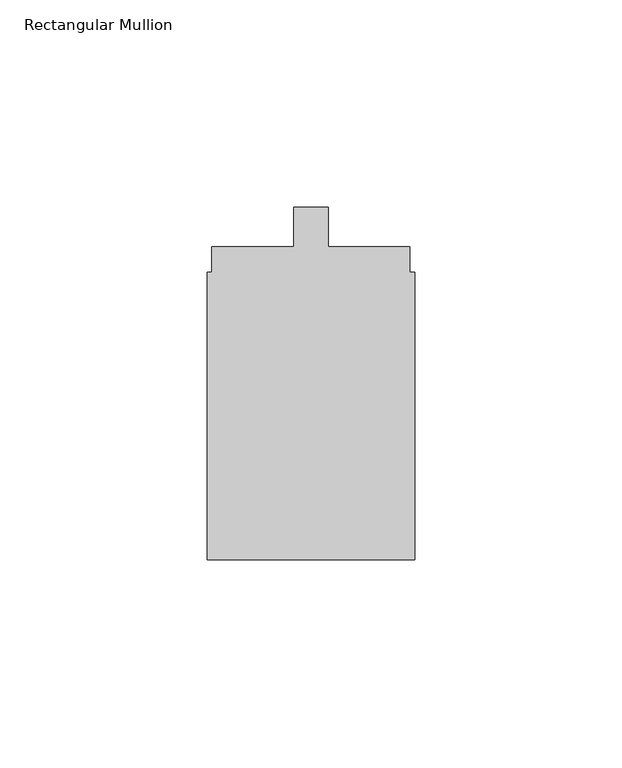
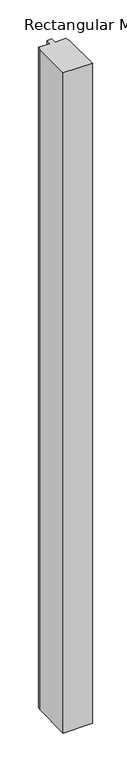
"""IFC4 building model written with IfcOpenShell, lengths in millimetres: member geometry, Rectangular Mullion."""

import ifcopenshell
import ifcopenshell.guid

model = None  # the IFC model being written
_history = None  # IfcOwnerHistory: only IFC2X3 demands one
_inside = {}  # id of a spatial element -> (the spatial element, [elements in it])
_under = {}  # id of a project, library or spatial element -> (it, [spatial elements below it])
_declared = {}  # id of a project -> (the project, [libraries it declares])
_typed = {}  # id of a type object -> (the type object, [elements of that type])
_made_of = {}  # id of a material, layer set ... -> (it, [elements and type objects made of it])


def new_model(schema):
    """Start an empty IFC model of exactly this schema.

    Asked for "IFC4X3", IfcOpenShell would pick the latest addendum, in which some entities
    have other attributes; the version numbers below select the first issue.
    IFC2X3 requires an IfcOwnerHistory on every rooted entity: one is made here for all.
    """
    global model, _history
    if schema == "IFC4X3":
        model = ifcopenshell.file(schema_version=(4, 3, 0, 0))
    else:
        model = ifcopenshell.file(schema=schema)
    _inside.clear()
    _under.clear()
    _declared.clear()
    _typed.clear()
    _made_of.clear()
    _history = None
    if model.schema == "IFC2X3":
        org = make("IfcOrganization", Name="unknown")
        user = make(
            "IfcPersonAndOrganization",
            ThePerson=make("IfcPerson", FamilyName="unknown"),
            TheOrganization=org,
        )
        app = make(
            "IfcApplication",
            ApplicationDeveloper=org,
            Version="unknown",
            ApplicationFullName="unknown",
            ApplicationIdentifier="unknown",
        )
        _history = make(
            "IfcOwnerHistory",
            OwningUser=user,
            OwningApplication=app,
            ChangeAction="ADDED",
            CreationDate=0,
        )
    return model


def make(cls, **values):
    """One entity of the class cls with the attributes given. An attribute that is None is left unset."""
    return model.create_entity(
        cls, **{name: value for name, value in values.items() if value is not None}
    )


def rooted(cls, **values):
    """An entity with a GlobalId (a new one), such as an element, a storey or a relation."""
    return make(cls, GlobalId=ifcopenshell.guid.new(), OwnerHistory=_history, **values)


def si_unit(unit_type, name, prefix=None):
    """IfcSIUnit, for example si_unit("LENGTHUNIT", "METRE", prefix="MILLI")."""
    return make("IfcSIUnit", UnitType=unit_type, Prefix=prefix, Name=name)


def assignment(units):
    """IfcUnitAssignment: the units of a project."""
    return None if units is None else make("IfcUnitAssignment", Units=units)


def point(xyz):
    """IfcCartesianPoint."""
    return None if xyz is None else make("IfcCartesianPoint", Coordinates=xyz)


def direction(xyz):
    """IfcDirection."""
    return None if xyz is None else make("IfcDirection", DirectionRatios=xyz)


def frame(location, z_axis=None, x_axis=None):
    """IfcAxis2Placement3D, a coordinate frame: its origin and axes. An axis left out is left unset."""
    return make(
        "IfcAxis2Placement3D",
        Location=point(location),
        Axis=direction(z_axis),
        RefDirection=direction(x_axis),
    )


def origin():
    """The frame at (0, 0, 0) with its axes left unset."""
    return frame((0.0, 0.0, 0.0))


def place(relative_to, where):
    """IfcLocalPlacement: puts the frame where relative to a parent placement (None: the world)."""
    return make(
        "IfcLocalPlacement", PlacementRelTo=relative_to, RelativePlacement=where
    )


def context(
    kind, dimensions, precision=None, world=None, true_north=None, identifier=None
):
    """IfcGeometricRepresentationContext, for example the 3D "Model" context."""
    return make(
        "IfcGeometricRepresentationContext",
        ContextIdentifier=identifier,
        ContextType=kind,
        CoordinateSpaceDimension=dimensions,
        Precision=precision,
        WorldCoordinateSystem=world,
        TrueNorth=true_north,
    )


def project(units=None, contexts=None):
    """IfcProject with its units and contexts."""
    return rooted(
        "IfcProject",
        Name="project",
        RepresentationContexts=contexts,
        UnitsInContext=assignment(units),
    )


def spatial(cls, under=None, at=None, **own):
    """A site, building, storey or space (cls), placed at a placement, below another one or the project."""
    s = rooted(cls, ObjectPlacement=at, **own)
    if under is not None:
        _under.setdefault(under.id(), (under, []))[1].append(s)
    return s


def polyline(points):
    """IfcPolyline through the points."""
    return make("IfcPolyline", Points=[point(p) for p in points])


def outline(outer, holes=None, kind="AREA"):
    """IfcArbitraryClosedProfileDef: a profile drawn as a closed curve; with holes, ...WithVoids."""
    if holes is None:
        return make("IfcArbitraryClosedProfileDef", ProfileType=kind, OuterCurve=outer)
    return make(
        "IfcArbitraryProfileDefWithVoids",
        ProfileType=kind,
        OuterCurve=outer,
        InnerCurves=holes,
    )


def extrude(swept, where, along, depth):
    """IfcExtrudedAreaSolid: the profile swept, set in the frame where, extruded along a direction by depth."""
    return make(
        "IfcExtrudedAreaSolid",
        SweptArea=swept,
        Position=where,
        ExtrudedDirection=direction(along),
        Depth=depth,
    )


def shape(context_of_items, identifier, shape_type, items):
    """IfcShapeRepresentation: the items that make up one representation, for example the "Body"."""
    return make(
        "IfcShapeRepresentation",
        ContextOfItems=context_of_items,
        RepresentationIdentifier=identifier,
        RepresentationType=shape_type,
        Items=items,
    )


def source(mapping_origin, context_of_items, identifier, shape_type, items):
    """IfcRepresentationMap: a shape defined once, which mapped items show again and again."""
    return make(
        "IfcRepresentationMap",
        MappingOrigin=mapping_origin,
        MappedRepresentation=shape(context_of_items, identifier, shape_type, items),
    )


def transform(
    local_origin,
    x_axis=None,
    y_axis=None,
    z_axis=None,
    scale=None,
    scale2=None,
    scale3=None,
    uniform=True,
):
    """IfcCartesianTransformationOperator3D, or its non-uniform kind. x_axis, y_axis, z_axis: its Axis1, 2, 3."""
    if uniform:
        return make(
            "IfcCartesianTransformationOperator3D",
            Axis1=direction(x_axis),
            Axis2=direction(y_axis),
            LocalOrigin=point(local_origin),
            Scale=scale,
            Axis3=direction(z_axis),
        )
    return make(
        "IfcCartesianTransformationOperator3DnonUniform",
        Axis1=direction(x_axis),
        Axis2=direction(y_axis),
        LocalOrigin=point(local_origin),
        Scale=scale,
        Axis3=direction(z_axis),
        Scale2=scale2,
        Scale3=scale3,
    )


def mapped(mapping_source, mapping_target):
    """IfcMappedItem: shows the shape of a source again, moved by a transform."""
    return make(
        "IfcMappedItem", MappingSource=mapping_source, MappingTarget=mapping_target
    )


def made_of(thing, what):
    """Note that an element or type object is made of a material, layer set ...; save() writes the relation."""
    if what is not None:
        _made_of.setdefault(what.id(), (what, []))[1].append(thing)
    return thing


def element(
    cls,
    number,
    at=None,
    inside=None,
    cuts=None,
    type_object=None,
    material=None,
    context=None,
    identifier="Body",
    shape_type=None,
    held_by="IfcProductDefinitionShape",
    body=None,
    shapes=None,
    **own,
):
    """One element of the class cls, such as IfcWall. Its Tag is "e" and its number.

    at: its placement. inside: the storey or other place that contains it. cuts: it is an
    opening in that element (IfcRelVoidsElement). A single representation is given by context,
    identifier, shape_type and body (its items); several are given by shapes. held_by: the class
    of the entity that holds the representations. save() writes the other relations.
    """
    e = rooted(cls, Tag="e%d" % number, ObjectPlacement=at, **own)
    if body is not None:
        shapes = [shape(context, identifier, shape_type, body)]
    if shapes is not None:
        e.Representation = make(held_by, Representations=shapes)
    if inside is not None:
        _inside.setdefault(inside.id(), (inside, []))[1].append(e)
    if cuts is not None:
        rooted(
            "IfcRelVoidsElement", RelatingBuildingElement=cuts, RelatedOpeningElement=e
        )
    if type_object is not None:
        _typed.setdefault(type_object.id(), (type_object, []))[1].append(e)
    return made_of(e, material)


def aggregate(whole, parts):
    """IfcRelAggregates: a whole, such as a stair, and the parts it consists of."""
    return rooted("IfcRelAggregates", RelatingObject=whole, RelatedObjects=parts)


def save(model, path):
    """Write the relations noted so far, then the file.

    IfcRelAggregates (storeys below a building ...), IfcRelContainedInSpatialStructure (elements
    in a storey), IfcRelDefinesByType, IfcRelAssociatesMaterial and IfcRelDeclares: one each for
    every whole, place, type object, material and project.
    """
    for whole, parts in _under.values():
        aggregate(whole, parts)
    for where, things in _inside.values():
        rooted(
            "IfcRelContainedInSpatialStructure",
            RelatedElements=things,
            RelatingStructure=where,
        )
    for kind, things in _typed.values():
        rooted("IfcRelDefinesByType", RelatedObjects=things, RelatingType=kind)
    for what, things in _made_of.values():
        rooted("IfcRelAssociatesMaterial", RelatedObjects=things, RelatingMaterial=what)
    for by, libraries in _declared.values():
        rooted("IfcRelDeclares", RelatingContext=by, RelatedDefinitions=libraries)
    model.write(path)


def rectangular_mullion_dc6de10a(model_context):
    return source(origin(), model_context, "Body", "SweptSolid", [
        extrude(outline(polyline([(25.0, -101.3), (-25.0, -101.3), (-25.0, -32.0), (-23.9, -32.0), (-23.9, -25.8), (-4.1, -25.8), (-4.1, -16.3), (4.1, -16.3), (4.1, -25.8), (23.8217337, -25.8), (23.8217337, -32.0), (25.0, -32.0), (25.0, -101.3)])), frame((0.0, 0.0, -1200.0), z_axis=(0.0, 0.0, 1.0), x_axis=(1.0, 0.0, 0.0)), (0.0, 0.0, 1.0), 1200.0),
    ])


if __name__ == "__main__":
    model = new_model("IFC4")
    model_context = context("Model", 3, world=origin())
    ifc_project = project(units=[si_unit("LENGTHUNIT", "METRE", prefix="MILLI")], contexts=[model_context])
    site = spatial("IfcSite", under=ifc_project)
    building = spatial("IfcBuilding", under=site)
    placement = place(None, origin())
    rectangular_mullion_shape = rectangular_mullion_dc6de10a(model_context)
    element("IfcMember", 1, ObjectType="Rectangular Mullion", at=placement, inside=building, context=model_context, shape_type="MappedRepresentation", body=[
        mapped(rectangular_mullion_shape, transform((0.0, 0.0, 0.0), x_axis=(1.0, 0.0, 0.0), y_axis=(0.0, 1.0, 0.0), z_axis=(0.0, 0.0, 1.0))),
    ])
    save(model, "model.ifc")
